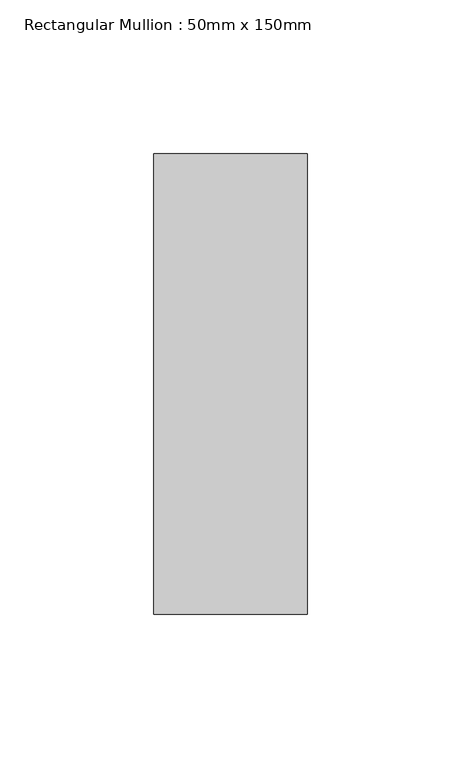
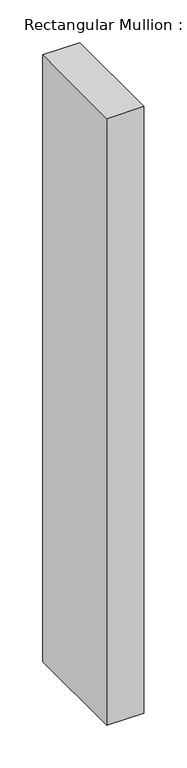
"""IFC4 building model written with IfcOpenShell, lengths in millimetres: member geometry, Rectangular Mullion : 50mm x 150mm."""

from ifc_helpers import new_model, si_unit, frame, origin, place, context, project, spatial, polyline, outline, extrude, source, transform, mapped, element, save


def rectangular_mullion_50mm_x_150mm_a6523128(model_context):
    return source(origin(), model_context, "Body", "SweptSolid", [
        extrude(outline(polyline([(0.0, 75.0), (0.0, -75.0), (-50.0, -75.0), (-50.0, 75.0), (0.0, 75.0)])), frame((0.0, 0.0, -866.6666667), z_axis=(0.0, 0.0, 1.0), x_axis=(1.0, 0.0, 0.0)), (0.0, 0.0, 1.0), 866.6666667),
    ])


if __name__ == "__main__":
    model = new_model("IFC4")
    model_context = context("Model", 3, world=origin())
    ifc_project = project(units=[si_unit("LENGTHUNIT", "METRE", prefix="MILLI")], contexts=[model_context])
    site = spatial("IfcSite", under=ifc_project)
    building = spatial("IfcBuilding", under=site)
    placement = place(None, origin())
    rectangular_mullion_50mm_x_150mm_shape = rectangular_mullion_50mm_x_150mm_a6523128(model_context)
    element("IfcMember", 1, ObjectType="Rectangular Mullion : 50mm x 150mm", at=placement, inside=building, context=model_context, shape_type="MappedRepresentation", body=[
        mapped(rectangular_mullion_50mm_x_150mm_shape, transform((0.0, 0.0, 0.0), x_axis=(1.0, 0.0, 0.0), y_axis=(0.0, 1.0, 0.0), z_axis=(0.0, 0.0, 1.0))),
    ])
    save(model, "model.ifc")
